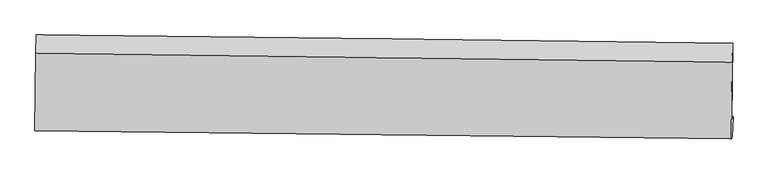
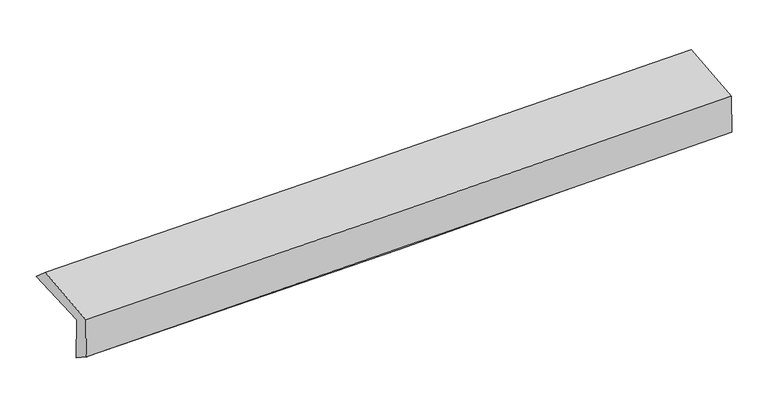
"""IFC4 building model written with IfcOpenShell, lengths in millimetres: proxy geometry."""

from ifc_helpers import new_model, si_unit, frame, origin, place, context, project, spatial, source, transform, mapped, element, save
from ifc_brep_helpers import plane_surface, spline_curve, spline_surface, advanced_brep


def generic_models_c1daae3b(model_context):
    return source(origin(), model_context, "Body", "AdvancedBrep", [
        advanced_brep(
        [(-3023.0166801, -1771.441827, 1962.89614), (-3015.3519422, -1096.3158432, 1981.3915611), (3008.1082048, -1166.6827552, 2132.1090618), (3000.8775057, -1832.1793061, 2113.8861237), (-3012.166261, -1745.272923, 1563.7743832), (3011.7279247, -1806.0104021, 1714.7643669), (-3017.3258303, -1913.9469961, 1682.0833167), (3006.1927831, -1980.6528236, 1847.6361875), (-3027.3834055, -1927.0969555, 2057.1228348), (2996.3995959, -1993.4499513, 2212.6145608), (-3020.917311, -1256.4578026, 2118.9789454), (3002.4487735, -1332.4604017, 2273.5717384)],
        [
            (0, 1),
            (1, 2, spline_curve(3, [(-3015.3519422, -1096.3158432, 1981.3915611), (-2010.790209933, -1106.879328155, 1982.047448009), (-1006.550186766, -1118.025033261, 1994.935388245), (1001.269851852, -1141.480689719, 2045.174959413), (2004.849877271, -1153.790622053, 2082.526186172), (3008.1082048, -1166.6827552, 2132.1090618)], [4, 2, 4], [0.0, 9.885973796736977, 19.771784214321787])),
            (2, 3),
            (3, 0, spline_curve(3, [(3000.8775057, -1832.1793061, 2113.8861237), (1997.544378834, -1821.183970318, 2064.249860083), (993.89078374, -1810.624883992, 2026.849232349), (-1014.07393425, -1790.379042912, 1976.518833558), (-2018.385067839, -1780.69230305, 1963.58946641), (-3023.0166801, -1771.441827, 1962.89614)], [4, 2, 4], [0.0, 9.88581041758481, 19.771784214321787])),
            (4, 0),
            (3, 5),
            (5, 4, spline_curve(3, [(3011.7279247, -1806.0104021, 1714.7643669), (2008.305352833, -1795.230788367, 1668.418245735), (1004.60703489, -1784.779564219, 1632.662703198), (-1003.3576844, -1764.533726685, 1582.33235831), (-2007.624095235, -1754.739124743, 1567.75790657), (-3012.166261, -1745.272923, 1563.7743832)], [4, 2, 4], [0.0, 9.885978605320858, 19.772120592573458])),
            (6, 4),
            (5, 7),
            (7, 6, spline_curve(3, [(3006.1927831, -1980.6528236, 1847.6361875), (2002.447567499, -1967.98730881, 1813.833676171), (998.619223625, -1956.0957721, 1783.136436518), (-1009.220311501, -1933.860470364, 1727.952043279), (-2013.231505392, -1923.516731431, 1703.46499316), (-3017.3258303, -1913.9469961, 1682.0833167)], [4, 2, 4], [0.0, 9.885520046394808, 19.77120346714292])),
            (8, 6),
            (7, 9),
            (9, 8, spline_curve(3, [(2996.3995959, -1993.4499513, 2212.6145608), (1992.521305746, -1980.959553714, 2183.806168363), (988.604392011, -1969.184978399, 2156.444423583), (-1019.323273615, -1947.067289238, 2104.613800127), (-2023.334027434, -1936.72419936, 2080.144969893), (-3027.3834055, -1927.0969555, 2057.1228348)], [4, 2, 4], [0.0, 9.885378831515947, 19.770921035051394])),
            (10, 8),
            (9, 11),
            (11, 10, spline_curve(3, [(3002.4487735, -1332.4604017, 2273.5717384), (1998.636344315, -1318.663660259, 2244.885300263), (994.787104218, -1305.431787346, 2217.659442881), (-1013.001589273, -1280.097569112, 2166.128463706), (-2016.941043829, -1267.99524227, 2141.823390053), (-3020.917311, -1256.4578026, 2118.9789454)], [4, 2, 4], [0.0, 9.885084621018624, 19.77033260919444])),
            (1, 10),
            (11, 2),
        ],
        [
            spline_surface(3, 3, [[(-3023.0166801, -1771.441827, 1962.89614), (-2018.385067928, -1780.692303034, 1963.589466529), (-1014.073934248, -1790.37904305, 1976.518833452), (993.890783738, -1810.624883853, 2026.849232456), (1997.5443787, -1821.18397017, 2064.249860087), (3000.8775057, -1832.1793061, 2113.8861237)], [(-3020.461767476, -1546.399832409, 1969.061280391), (-2015.853448658, -1556.087978086, 1969.742127085), (-1011.56601839, -1566.261039781, 1982.657685044), (996.350473054, -1587.576819176, 2032.957808111), (1999.979544899, -1598.719520798, 2070.341968814), (3003.287738738, -1610.34712246, 2119.960436414)], [(-3017.906854824, -1321.357837791, 1975.226420709), (-2013.32182936, -1331.48365311, 1975.894787567), (-1009.058102495, -1342.14303647, 1988.79653664), (998.810162407, -1364.528754457, 2039.066383771), (2002.414711085, -1376.255071443, 2076.4340775), (3005.697971762, -1388.51493884, 2126.034749086)], [(-3015.3519422, -1096.3158432, 1981.3915611), (-2010.79021009, -1106.879328162, 1982.047448123), (-1006.550186637, -1118.025033201, 1994.935388232), (1001.269851723, -1141.480689779, 2045.174959426), (2004.849877284, -1153.790622071, 2082.526186227), (3008.1082048, -1166.6827552, 2132.1090618)]], [4, 4], [4, 2, 4], [0.0, 2.201581486771223], [0.0, 9.885973796736977, 19.771784214321787]),
            spline_surface(3, 3, [[(-3012.166261, -1745.272923, 1563.7743832), (-2007.624095254, -1754.739124797, 1567.75790658), (-1003.357684488, -1764.533726833, 1582.332358439), (1004.607034978, -1784.779564071, 1632.662703069), (2008.305352752, -1795.230788368, 1668.418245763), (3011.7279247, -1806.0104021, 1714.7643669)], [(-3015.783067341, -1753.995890992, 1696.814968791), (-2011.211086119, -1763.390184202, 1699.701759887), (-1006.929767739, -1773.148832241, 1713.727850136), (1001.034951234, -1793.394670667, 1764.05821289), (2004.718361394, -1803.881848961, 1800.362117195), (3008.111118359, -1814.733370092, 1847.804952491)], [(-3019.399873759, -1762.718859008, 1829.855554409), (-2014.798077063, -1772.04124363, 1831.645613222), (-1010.501850997, -1781.763937642, 1845.123341755), (997.462867482, -1802.009777257, 1895.453722635), (2001.131370058, -1812.532909577, 1932.305988655), (3004.494312041, -1823.456338108, 1980.845538109)], [(-3023.0166801, -1771.441827, 1962.89614), (-2018.385067928, -1780.692303034, 1963.589466529), (-1014.073934248, -1790.37904305, 1976.518833452), (993.890783738, -1810.624883853, 2026.849232456), (1997.5443787, -1821.18397017, 2064.249860087), (3000.8775057, -1832.1793061, 2113.8861237)]], [4, 4], [4, 2, 4], [0.0, 1.2965164345395126], [0.0, 9.8861419872526, 19.772120592573458]),
            spline_surface(3, 3, [[(-3017.3258303, -1913.9469961, 1682.0833167), (-2013.231505493, -1923.516731486, 1703.464993098), (-1009.220311464, -1933.860470525, 1727.95204344), (998.619223588, -1956.095771939, 1783.136436358), (2002.44756736, -1967.987308737, 1813.833676261), (3006.1927831, -1980.6528236, 1847.6361875)], [(-3015.605973893, -1857.722305057, 1642.647005544), (-2011.362368773, -1867.257529247, 1658.229297602), (-1007.266102467, -1877.418222635, 1679.412148407), (1000.615160723, -1898.990369325, 1732.978525229), (2004.400162478, -1910.401801956, 1765.3618661), (3008.037830287, -1922.438683108, 1803.345580639)], [(-3013.886117407, -1801.497614043, 1603.210694356), (-2009.493231973, -1810.998327037, 1612.993602076), (-1005.311893484, -1820.975974722, 1630.872253472), (1002.611097843, -1841.884966686, 1682.820614197), (2006.352757635, -1852.81629515, 1716.890055923), (3009.882877513, -1864.224542592, 1759.054973761)], [(-3012.166261, -1745.272923, 1563.7743832), (-2007.624095254, -1754.739124797, 1567.75790658), (-1003.357684488, -1764.533726833, 1582.332358439), (1004.607034978, -1784.779564071, 1632.662703069), (2008.305352752, -1795.230788368, 1668.418245763), (3011.7279247, -1806.0104021, 1714.7643669)]], [4, 4], [4, 2, 4], [0.0, 0.7406442396140615], [0.0, 9.885683420748114, 19.77120346714292]),
            spline_surface(3, 3, [[(-3027.3834055, -1927.0969555, 2057.1228348), (-2023.33402732, -1936.724199443, 2080.144969888), (-1019.323273719, -1947.067289351, 2104.613800273), (988.604392115, -1969.184978285, 2156.444423438), (1992.521305693, -1980.95955363, 2183.806168357), (2996.3995959, -1993.4499513, 2212.6145608)], [(-3024.030880432, -1922.713635714, 1932.109662093), (-2019.966520043, -1932.321710138, 1954.584977618), (-1015.955619629, -1942.665016408, 1979.059881344), (991.942669277, -1964.821909502, 2032.00842776), (1995.830059606, -1976.635472005, 2060.482004315), (2999.663991657, -1989.184242073, 2090.955103024)], [(-3020.678355368, -1918.330315886, 1807.096489407), (-2016.59901277, -1927.919220791, 1829.024985368), (-1012.587965553, -1938.262743468, 1853.505962369), (995.280946426, -1960.458840722, 1907.572432036), (1999.138813447, -1972.311390362, 1937.157840303), (3002.928387343, -1984.918532827, 1969.295645276)], [(-3017.3258303, -1913.9469961, 1682.0833167), (-2013.231505493, -1923.516731486, 1703.464993098), (-1009.220311464, -1933.860470525, 1727.95204344), (998.619223588, -1956.095771939, 1783.136436358), (2002.44756736, -1967.987308737, 1813.833676261), (3006.1927831, -1980.6528236, 1847.6361875)]], [4, 4], [4, 2, 4], [0.0, 1.231463709668573], [0.0, 9.885542203535447, 19.770921035051394]),
            spline_surface(3, 3, [[(-3020.917311, -1256.4578026, 2118.9789454), (-2016.941043988, -1267.995242304, 2141.823390089), (-1013.001589342, -1280.097569036, 2166.128463651), (994.787104286, -1305.431787421, 2217.659442936), (1998.636344451, -1318.663660361, 2244.885300359), (3002.4487735, -1332.4604017, 2273.5717384)], [(-3023.072675811, -1480.004186902, 2098.360241864), (-2019.07203841, -1490.904894686, 2121.263916686), (-1015.108817456, -1502.420809121, 2145.623575844), (992.72620024, -1526.682851023, 2197.254436422), (1996.597998186, -1539.428958112, 2224.525589696), (3000.432380954, -1552.790251561, 2253.252679204)], [(-3025.228040689, -1703.550571198, 2077.741538336), (-2021.203032898, -1713.814547061, 2100.704443291), (-1017.216045604, -1724.744049266, 2125.11868808), (990.665296161, -1747.933914683, 2176.849429952), (1994.559651958, -1760.194255879, 2204.165879021), (2998.415988446, -1773.120101439, 2232.933619996)], [(-3027.3834055, -1927.0969555, 2057.1228348), (-2023.33402732, -1936.724199443, 2080.144969888), (-1019.323273719, -1947.067289351, 2104.613800273), (988.604392115, -1969.184978285, 2156.444423438), (1992.521305693, -1980.95955363, 2183.806168357), (2996.3995959, -1993.4499513, 2212.6145608)]], [4, 4], [4, 2, 4], [0.0, 2.192304834058106], [0.0, 9.885247988175816, 19.77033260919444]),
            spline_surface(3, 3, [[(-3015.3519422, -1096.3158432, 1981.3915611), (-2010.79021009, -1106.879328162, 1982.047448123), (-1006.550186637, -1118.025033201, 1994.935388232), (1001.269851723, -1141.480689779, 2045.174959426), (2004.849877284, -1153.790622071, 2082.526186227), (3008.1082048, -1166.6827552, 2132.1090618)], [(-3017.207065147, -1149.696496326, 2027.254022517), (-2012.84048807, -1160.584632869, 2035.306095429), (-1008.700654216, -1172.049211809, 2051.999746712), (999.1089359, -1196.131055656, 2102.66978727), (2002.778699677, -1208.748301506, 2136.645890934), (3006.221727704, -1221.941970706, 2179.263287329)], [(-3019.062188053, -1203.077149474, 2073.116483983), (-2014.890766008, -1214.289937597, 2088.564742783), (-1010.851121763, -1226.073390428, 2109.064105171), (996.948020109, -1250.781421544, 2160.164615092), (2000.707522058, -1263.705980925, 2190.765595652), (3004.335250596, -1277.201186194, 2226.417512871)], [(-3020.917311, -1256.4578026, 2118.9789454), (-2016.941043988, -1267.995242304, 2141.823390089), (-1013.001589342, -1280.097569036, 2166.128463651), (994.787104286, -1305.431787421, 2217.659442936), (1998.636344451, -1318.663660361, 2244.885300359), (3002.4487735, -1332.4604017, 2273.5717384)]], [4, 4], [4, 2, 4], [0.0, 0.7773806847138715], [0.0, 9.885177769172966, 19.770192172349205]),
            plane_surface(frame((3004.2924646, -1685.2392734, 2049.0970065), z_axis=(0.9995839462130357, -0.011583903888020797, 0.02641491328564549), x_axis=(0.02680612520052747, 0.03502857622522529, -0.9990267416337599))),
            plane_surface(frame((-3019.3602383, -1618.4220579, 1894.3745302), z_axis=(-0.9995790292633516, 0.012071040330198726, -0.026382839920720068), x_axis=(-0.011348059577823233, -0.9995605869374291, -0.027383472846234484))),
        ],
        [
            (0, [[1, 2, 3, 4]]),
            (1, [[5, -4, 6, 7]]),
            (2, [[8, -7, 9, 10]]),
            (3, [[11, -10, 12, 13]]),
            (4, [[14, -13, 15, 16]]),
            (5, [[17, -16, 18, -2]]),
            (6, [[-12, -9, -6, -3, -18, -15]]),
            (7, [[-1, -5, -8, -11, -14, -17]]),
        ],
    ),
    ])


if __name__ == "__main__":
    model = new_model("IFC4")
    model_context = context("Model", 3, world=origin())
    ifc_project = project(units=[si_unit("LENGTHUNIT", "METRE", prefix="MILLI")], contexts=[model_context])
    site = spatial("IfcSite", under=ifc_project)
    building = spatial("IfcBuilding", under=site)
    placement = place(None, origin())
    generic_models_shape = generic_models_c1daae3b(model_context)
    element("IfcBuildingElementProxy", 1, Name="Generic Models", at=placement, inside=building, context=model_context, shape_type="MappedRepresentation", body=[
        mapped(generic_models_shape, transform((0.0, 0.0, 0.0), x_axis=(1.0, 0.0, 0.0), y_axis=(0.0, 1.0, 0.0), z_axis=(0.0, 0.0, 1.0))),
    ])
    save(model, "model.ifc")
